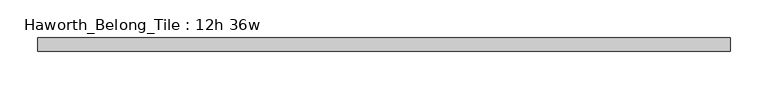
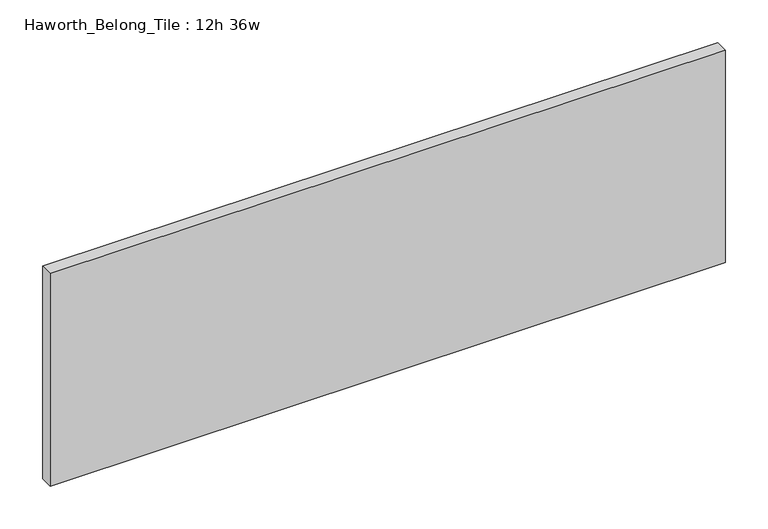
"""IFC4 building model written with IfcOpenShell, lengths in millimetres: furniture geometry, Haworth_Belong_Tile : 12h 36w."""

from ifc_helpers import new_model, si_unit, frame, origin, place, context, project, spatial, polyline, outline, extrude, source, transform, mapped, element, save


def haworth_belong_tile_12h_36w_35ff4c96(model_context):
    return source(origin(), model_context, "Body", "SweptSolid", [
        extrude(outline(polyline([(457.2, 8.73125), (457.2, -8.73125), (-457.2, -8.73125), (-457.2, 8.73125), (457.2, 8.73125)])), frame((0.0, 0.0, 812.8), z_axis=(0.0, 0.0, 1.0), x_axis=(1.0, 0.0, 0.0)), (0.0, 0.0, 1.0), 304.8),
    ])


if __name__ == "__main__":
    model = new_model("IFC4")
    model_context = context("Model", 3, world=origin())
    ifc_project = project(units=[si_unit("LENGTHUNIT", "METRE", prefix="MILLI")], contexts=[model_context])
    site = spatial("IfcSite", under=ifc_project)
    building = spatial("IfcBuilding", under=site)
    placement = place(None, origin())
    haworth_belong_tile_12h_36w_shape = haworth_belong_tile_12h_36w_35ff4c96(model_context)
    element("IfcFurniture", 1, ObjectType="Haworth_Belong_Tile : 12h 36w", at=placement, inside=building, context=model_context, shape_type="MappedRepresentation", body=[
        mapped(haworth_belong_tile_12h_36w_shape, transform((0.0, 0.0, 0.0), x_axis=(1.0, 0.0, 0.0), y_axis=(0.0, 1.0, 0.0), z_axis=(0.0, 0.0, 1.0))),
    ])
    save(model, "model.ifc")
